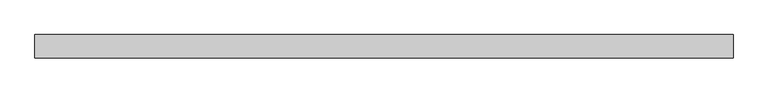
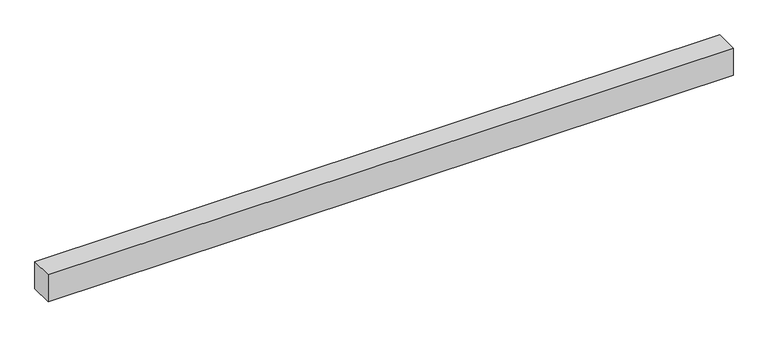
"""IFC4 building model written with IfcOpenShell, lengths in millimetres: proxy geometry."""

from ifc_helpers import new_model, si_unit, frame, origin, place, context, project, spatial, polyline, outline, extrude, source, transform, mapped, element, save


def generic_models_bac058b2(model_context):
    return source(origin(), model_context, "Body", "SweptSolid", [
        extrude(outline(polyline([(40.0, 0.0), (-40.0, 0.0), (-40.0, 2400.0), (40.0, 2400.0), (40.0, 0.0)])), frame((2400.0, 0.0, 0.0), z_axis=(0.0, -1.9783474858313244e-12, 1.0), x_axis=(0.0, 1.0, 1.9783474858313244e-12)), (0.0, 0.0, 1.0), 100.0),
    ])


if __name__ == "__main__":
    model = new_model("IFC4")
    model_context = context("Model", 3, world=origin())
    ifc_project = project(units=[si_unit("LENGTHUNIT", "METRE", prefix="MILLI")], contexts=[model_context])
    site = spatial("IfcSite", under=ifc_project)
    building = spatial("IfcBuilding", under=site)
    placement = place(None, origin())
    generic_models_shape = generic_models_bac058b2(model_context)
    element("IfcBuildingElementProxy", 1, Name="Generic Models", at=placement, inside=building, context=model_context, shape_type="MappedRepresentation", body=[
        mapped(generic_models_shape, transform((0.0, 0.0, 0.0), x_axis=(1.0, 0.0, 0.0), y_axis=(0.0, 1.0, 0.0), z_axis=(0.0, 0.0, 1.0))),
    ])
    save(model, "model.ifc")
